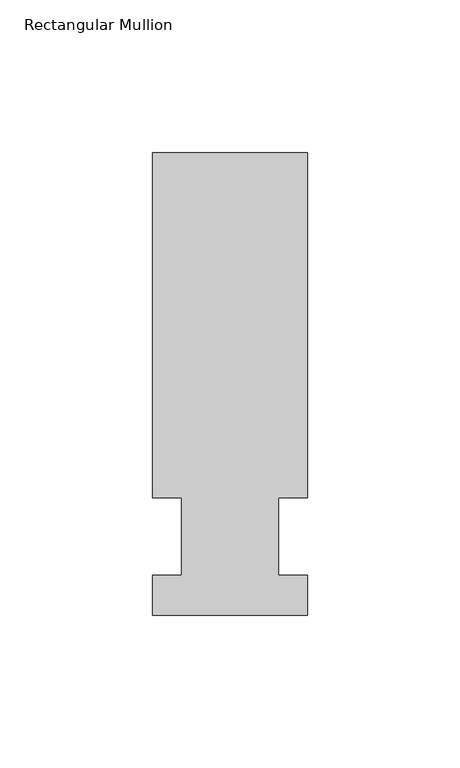
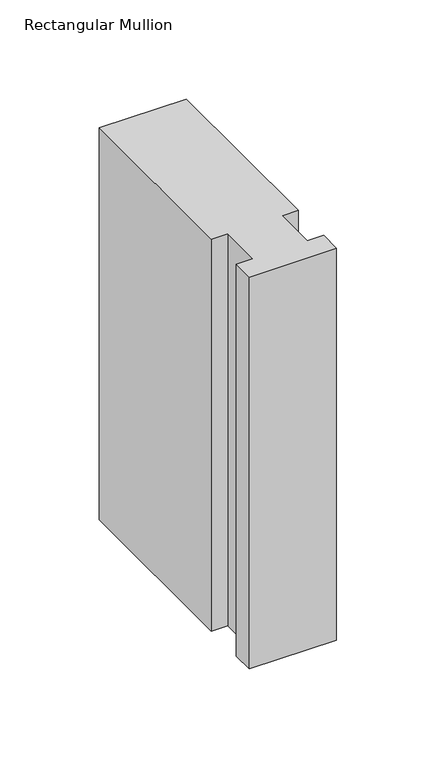
"""IFC4 building model written with IfcOpenShell, lengths in millimetres: member geometry, Rectangular Mullion."""

from ifc_helpers import new_model, si_unit, frame, origin, place, context, project, spatial, polyline, outline, extrude, source, transform, mapped, element, save


def rectangular_mullion_d47c4588(model_context):
    return source(origin(), model_context, "Body", "SweptSolid", [
        extrude(outline(polyline([(-25.4, -25.796875), (-25.4, -12.7), (-15.875, -12.7), (-15.875, 12.7), (-25.4, 12.7), (-25.4, 125.809375), (25.4, 125.809375), (25.4, 12.7), (15.875, 12.7), (15.875, -12.7), (25.4, -12.7), (25.4, -25.796875), (-25.4, -25.796875)])), frame((0.0, 0.0, -241.3), z_axis=(0.0, 0.0, 1.0), x_axis=(1.0, 0.0, 0.0)), (0.0, 0.0, 1.0), 241.3),
    ])


if __name__ == "__main__":
    model = new_model("IFC4")
    model_context = context("Model", 3, world=origin())
    ifc_project = project(units=[si_unit("LENGTHUNIT", "METRE", prefix="MILLI")], contexts=[model_context])
    site = spatial("IfcSite", under=ifc_project)
    building = spatial("IfcBuilding", under=site)
    placement = place(None, origin())
    rectangular_mullion_shape = rectangular_mullion_d47c4588(model_context)
    element("IfcMember", 1, ObjectType="Rectangular Mullion", at=placement, inside=building, context=model_context, shape_type="MappedRepresentation", body=[
        mapped(rectangular_mullion_shape, transform((0.0, 0.0, 0.0), x_axis=(1.0, 0.0, 0.0), y_axis=(0.0, 1.0, 0.0), z_axis=(0.0, 0.0, 1.0))),
    ])
    save(model, "model.ifc")
